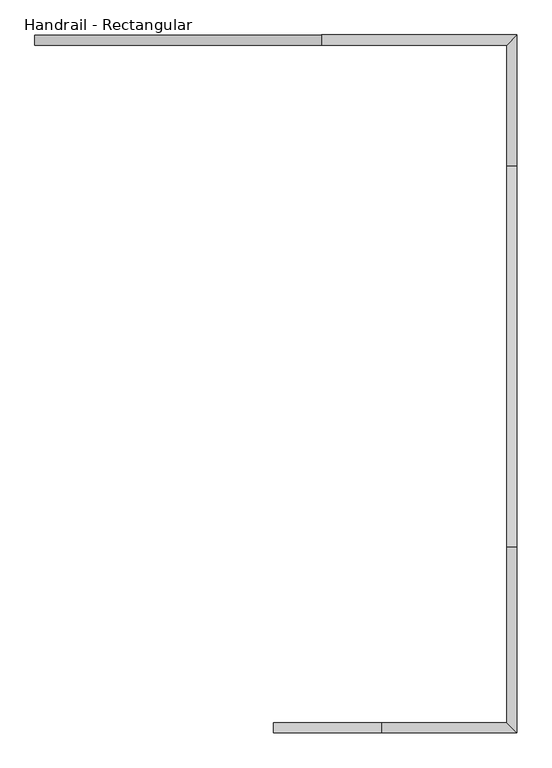
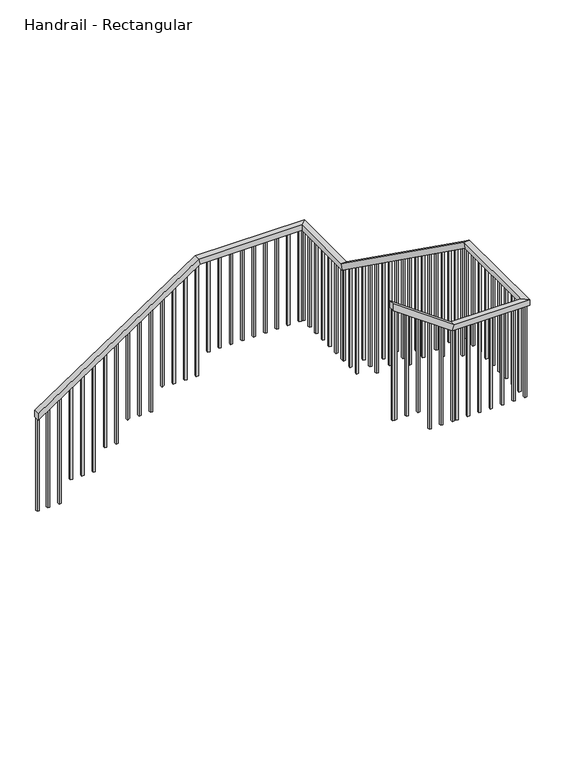
"""IFC4 building model written with IfcOpenShell, lengths in millimetres: railing geometry, Handrail - Rectangular."""

import ifcopenshell
import ifcopenshell.guid

model = None  # the IFC model being written
_history = None  # IfcOwnerHistory: only IFC2X3 demands one
_inside = {}  # id of a spatial element -> (the spatial element, [elements in it])
_under = {}  # id of a project, library or spatial element -> (it, [spatial elements below it])
_declared = {}  # id of a project -> (the project, [libraries it declares])
_typed = {}  # id of a type object -> (the type object, [elements of that type])
_made_of = {}  # id of a material, layer set ... -> (it, [elements and type objects made of it])


def new_model(schema):
    """Start an empty IFC model of exactly this schema.

    Asked for "IFC4X3", IfcOpenShell would pick the latest addendum, in which some entities
    have other attributes; the version numbers below select the first issue.
    IFC2X3 requires an IfcOwnerHistory on every rooted entity: one is made here for all.
    """
    global model, _history
    if schema == "IFC4X3":
        model = ifcopenshell.file(schema_version=(4, 3, 0, 0))
    else:
        model = ifcopenshell.file(schema=schema)
    _inside.clear()
    _under.clear()
    _declared.clear()
    _typed.clear()
    _made_of.clear()
    _history = None
    if model.schema == "IFC2X3":
        org = make("IfcOrganization", Name="unknown")
        user = make(
            "IfcPersonAndOrganization",
            ThePerson=make("IfcPerson", FamilyName="unknown"),
            TheOrganization=org,
        )
        app = make(
            "IfcApplication",
            ApplicationDeveloper=org,
            Version="unknown",
            ApplicationFullName="unknown",
            ApplicationIdentifier="unknown",
        )
        _history = make(
            "IfcOwnerHistory",
            OwningUser=user,
            OwningApplication=app,
            ChangeAction="ADDED",
            CreationDate=0,
        )
    return model


def make(cls, **values):
    """One entity of the class cls with the attributes given. An attribute that is None is left unset."""
    return model.create_entity(
        cls, **{name: value for name, value in values.items() if value is not None}
    )


def rooted(cls, **values):
    """An entity with a GlobalId (a new one), such as an element, a storey or a relation."""
    return make(cls, GlobalId=ifcopenshell.guid.new(), OwnerHistory=_history, **values)


def si_unit(unit_type, name, prefix=None):
    """IfcSIUnit, for example si_unit("LENGTHUNIT", "METRE", prefix="MILLI")."""
    return make("IfcSIUnit", UnitType=unit_type, Prefix=prefix, Name=name)


def assignment(units):
    """IfcUnitAssignment: the units of a project."""
    return None if units is None else make("IfcUnitAssignment", Units=units)


def point(xyz):
    """IfcCartesianPoint."""
    return None if xyz is None else make("IfcCartesianPoint", Coordinates=xyz)


def direction(xyz):
    """IfcDirection."""
    return None if xyz is None else make("IfcDirection", DirectionRatios=xyz)


def frame(location, z_axis=None, x_axis=None):
    """IfcAxis2Placement3D, a coordinate frame: its origin and axes. An axis left out is left unset."""
    return make(
        "IfcAxis2Placement3D",
        Location=point(location),
        Axis=direction(z_axis),
        RefDirection=direction(x_axis),
    )


def origin():
    """The frame at (0, 0, 0) with its axes left unset."""
    return frame((0.0, 0.0, 0.0))


def place(relative_to, where):
    """IfcLocalPlacement: puts the frame where relative to a parent placement (None: the world)."""
    return make(
        "IfcLocalPlacement", PlacementRelTo=relative_to, RelativePlacement=where
    )


def context(
    kind, dimensions, precision=None, world=None, true_north=None, identifier=None
):
    """IfcGeometricRepresentationContext, for example the 3D "Model" context."""
    return make(
        "IfcGeometricRepresentationContext",
        ContextIdentifier=identifier,
        ContextType=kind,
        CoordinateSpaceDimension=dimensions,
        Precision=precision,
        WorldCoordinateSystem=world,
        TrueNorth=true_north,
    )


def project(units=None, contexts=None):
    """IfcProject with its units and contexts."""
    return rooted(
        "IfcProject",
        Name="project",
        RepresentationContexts=contexts,
        UnitsInContext=assignment(units),
    )


def spatial(cls, under=None, at=None, **own):
    """A site, building, storey or space (cls), placed at a placement, below another one or the project."""
    s = rooted(cls, ObjectPlacement=at, **own)
    if under is not None:
        _under.setdefault(under.id(), (under, []))[1].append(s)
    return s


def polyline(points):
    """IfcPolyline through the points."""
    return make("IfcPolyline", Points=[point(p) for p in points])


def outline(outer, holes=None, kind="AREA"):
    """IfcArbitraryClosedProfileDef: a profile drawn as a closed curve; with holes, ...WithVoids."""
    if holes is None:
        return make("IfcArbitraryClosedProfileDef", ProfileType=kind, OuterCurve=outer)
    return make(
        "IfcArbitraryProfileDefWithVoids",
        ProfileType=kind,
        OuterCurve=outer,
        InnerCurves=holes,
    )


def extrude(swept, where, along, depth):
    """IfcExtrudedAreaSolid: the profile swept, set in the frame where, extruded along a direction by depth."""
    return make(
        "IfcExtrudedAreaSolid",
        SweptArea=swept,
        Position=where,
        ExtrudedDirection=direction(along),
        Depth=depth,
    )


def faces_of(points, faces, orient=None, outer=None):
    """IfcFace entities. A face is a list of loops; a loop is a list of indices into points, from 0.

    orient and outer hold one flag for each loop. By default every Orientation is true, the
    first loop of a face is its IfcFaceOuterBound and the others are IfcFaceBound.
    """
    made = []
    for i, loops in enumerate(faces):
        bounds = []
        for j, loop in enumerate(loops):
            is_outer = j == 0 if outer is None else outer[i][j]
            bounds.append(
                make(
                    "IfcFaceOuterBound" if is_outer else "IfcFaceBound",
                    Bound=make("IfcPolyLoop", Polygon=[points[k] for k in loop]),
                    Orientation=True if orient is None else orient[i][j],
                )
            )
        made.append(make("IfcFace", Bounds=bounds))
    return made


def faceted_brep(points, faces, orient=None, outer=None, voids=None):
    """IfcFacetedBrep: a solid bounded by flat faces; with voids (closed shells), ...WithVoids."""
    shared = [point(p) for p in points]
    hull = make("IfcClosedShell", CfsFaces=faces_of(shared, faces, orient, outer))
    if voids is None:
        return make("IfcFacetedBrep", Outer=hull)
    return make(
        "IfcFacetedBrepWithVoids",
        Outer=hull,
        Voids=[
            make(cls, CfsFaces=faces_of(shared, fs, o, b)) for cls, fs, o, b in voids
        ],
    )


def shape(context_of_items, identifier, shape_type, items):
    """IfcShapeRepresentation: the items that make up one representation, for example the "Body"."""
    return make(
        "IfcShapeRepresentation",
        ContextOfItems=context_of_items,
        RepresentationIdentifier=identifier,
        RepresentationType=shape_type,
        Items=items,
    )


def source(mapping_origin, context_of_items, identifier, shape_type, items):
    """IfcRepresentationMap: a shape defined once, which mapped items show again and again."""
    return make(
        "IfcRepresentationMap",
        MappingOrigin=mapping_origin,
        MappedRepresentation=shape(context_of_items, identifier, shape_type, items),
    )


def transform(
    local_origin,
    x_axis=None,
    y_axis=None,
    z_axis=None,
    scale=None,
    scale2=None,
    scale3=None,
    uniform=True,
):
    """IfcCartesianTransformationOperator3D, or its non-uniform kind. x_axis, y_axis, z_axis: its Axis1, 2, 3."""
    if uniform:
        return make(
            "IfcCartesianTransformationOperator3D",
            Axis1=direction(x_axis),
            Axis2=direction(y_axis),
            LocalOrigin=point(local_origin),
            Scale=scale,
            Axis3=direction(z_axis),
        )
    return make(
        "IfcCartesianTransformationOperator3DnonUniform",
        Axis1=direction(x_axis),
        Axis2=direction(y_axis),
        LocalOrigin=point(local_origin),
        Scale=scale,
        Axis3=direction(z_axis),
        Scale2=scale2,
        Scale3=scale3,
    )


def mapped(mapping_source, mapping_target):
    """IfcMappedItem: shows the shape of a source again, moved by a transform."""
    return make(
        "IfcMappedItem", MappingSource=mapping_source, MappingTarget=mapping_target
    )


def made_of(thing, what):
    """Note that an element or type object is made of a material, layer set ...; save() writes the relation."""
    if what is not None:
        _made_of.setdefault(what.id(), (what, []))[1].append(thing)
    return thing


def element(
    cls,
    number,
    at=None,
    inside=None,
    cuts=None,
    type_object=None,
    material=None,
    context=None,
    identifier="Body",
    shape_type=None,
    held_by="IfcProductDefinitionShape",
    body=None,
    shapes=None,
    **own,
):
    """One element of the class cls, such as IfcWall. Its Tag is "e" and its number.

    at: its placement. inside: the storey or other place that contains it. cuts: it is an
    opening in that element (IfcRelVoidsElement). A single representation is given by context,
    identifier, shape_type and body (its items); several are given by shapes. held_by: the class
    of the entity that holds the representations. save() writes the other relations.
    """
    e = rooted(cls, Tag="e%d" % number, ObjectPlacement=at, **own)
    if body is not None:
        shapes = [shape(context, identifier, shape_type, body)]
    if shapes is not None:
        e.Representation = make(held_by, Representations=shapes)
    if inside is not None:
        _inside.setdefault(inside.id(), (inside, []))[1].append(e)
    if cuts is not None:
        rooted(
            "IfcRelVoidsElement", RelatingBuildingElement=cuts, RelatedOpeningElement=e
        )
    if type_object is not None:
        _typed.setdefault(type_object.id(), (type_object, []))[1].append(e)
    return made_of(e, material)


def aggregate(whole, parts):
    """IfcRelAggregates: a whole, such as a stair, and the parts it consists of."""
    return rooted("IfcRelAggregates", RelatingObject=whole, RelatedObjects=parts)


def save(model, path):
    """Write the relations noted so far, then the file.

    IfcRelAggregates (storeys below a building ...), IfcRelContainedInSpatialStructure (elements
    in a storey), IfcRelDefinesByType, IfcRelAssociatesMaterial and IfcRelDeclares: one each for
    every whole, place, type object, material and project.
    """
    for whole, parts in _under.values():
        aggregate(whole, parts)
    for where, things in _inside.values():
        rooted(
            "IfcRelContainedInSpatialStructure",
            RelatedElements=things,
            RelatingStructure=where,
        )
    for kind, things in _typed.values():
        rooted("IfcRelDefinesByType", RelatedObjects=things, RelatingType=kind)
    for what, things in _made_of.values():
        rooted("IfcRelAssociatesMaterial", RelatedObjects=things, RelatingMaterial=what)
    for by, libraries in _declared.values():
        rooted("IfcRelDeclares", RelatingContext=by, RelatedDefinitions=libraries)
    model.write(path)


def handrail_rectangular_76ac958e(model_context):
    return source(origin(), model_context, "Body", "SolidModel", [
        faceted_brep([(1464.0157898, -1377.3856101, 1515.6336803), (1464.0157898, -1377.3856101, 1454.527482), (1464.0157898, -1428.1856101, 1454.527482), (1464.0157898, -1428.1856101, 1515.6336803), (2886.8157898, -1377.3856101, 2466.8), (2902.2322934, -1377.3856101, 2416.0), (2902.2322934, -1428.1856101, 2416.0), (2886.8157898, -1428.1856101, 2466.8), (3858.3657898, -1377.3856101, 2466.8), (3858.3657898, -1377.3856101, 2416.0), (3807.5657898, -1428.1856101, 2416.0), (3807.5657898, -1428.1856101, 2466.8), (3858.3657898, -2027.1856101, 2466.8), (3858.3657898, -2043.4521477, 2416.0), (3807.5657898, -2043.4521477, 2416.0), (3807.5657898, -2027.1856101, 2466.8), (3858.3657898, -3917.1856101, 3815.4666667), (3858.3657898, -3933.4521477, 3764.6666667), (3807.5657898, -3933.4521477, 3764.6666667), (3807.5657898, -3917.1856101, 3815.4666667), (3858.3657898, -4842.5856101, 3815.4666667), (3858.3657898, -4842.5856101, 3764.6666667), (3807.5657898, -4791.7856101, 3764.6666667), (3807.5657898, -4791.7856101, 3815.4666667), (3188.5657898, -4842.5856101, 3815.4666667), (3172.2992522, -4842.5856101, 3764.6666667), (3172.2992522, -4791.7856101, 3764.6666667), (3188.5657898, -4791.7856101, 3815.4666667), (2648.5657898, -4842.5856101, 4200.8), (2648.5657898, -4791.7856101, 4200.8), (2648.5657898, -4791.7856101, 4138.3925201), (2648.5657898, -4842.5856101, 4138.3925201)], [[[0, 1, 2, 3]], [[1, 0, 4, 5]], [[2, 1, 5, 6]], [[3, 2, 6, 7]], [[0, 3, 7, 4]], [[5, 4, 8, 9]], [[6, 5, 9, 10]], [[7, 6, 10, 11]], [[4, 7, 11, 8]], [[9, 8, 12, 13]], [[10, 9, 13, 14]], [[11, 10, 14, 15]], [[8, 11, 15, 12]], [[13, 12, 16, 17]], [[14, 13, 17, 18]], [[15, 14, 18, 19]], [[12, 15, 19, 16]], [[17, 16, 20, 21]], [[18, 17, 21, 22]], [[19, 18, 22, 23]], [[16, 19, 23, 20]], [[21, 20, 24, 25]], [[22, 21, 25, 26]], [[23, 22, 26, 27]], [[20, 23, 27, 24]], [[28, 29, 30, 31]], [[25, 24, 28, 31]], [[26, 25, 31, 30]], [[27, 26, 30, 29]], [[24, 27, 29, 28]]]),
        extrude(outline(polyline([(4122.354804, 2671.0407898), (3093.7333333, 2671.0407898), (3093.7333333, 2690.0907898), (4108.7611003, 2690.0907898), (4122.354804, 2671.0407898)])), frame((0.0, -4826.7106101, 0.0), z_axis=(0.0, 1.0, 0.0), x_axis=(0.0, 0.0, 1.0)), (0.0, 0.0, 1.0), 19.05),
        extrude(outline(polyline([(4049.8550509, 2772.6407898), (3093.7333333, 2772.6407898), (3093.7333333, 2791.6907898), (4036.2613472, 2791.6907898), (4049.8550509, 2772.6407898)])), frame((0.0, -4826.7106101, 0.0), z_axis=(0.0, 1.0, 0.0), x_axis=(0.0, 0.0, 1.0)), (0.0, 0.0, 1.0), 19.05),
        extrude(outline(polyline([(3977.3552979, 2874.2407898), (3093.7333333, 2874.2407898), (3093.7333333, 2893.2907898), (3963.7615942, 2893.2907898), (3977.3552979, 2874.2407898)])), frame((0.0, -4826.7106101, 0.0), z_axis=(0.0, 1.0, 0.0), x_axis=(0.0, 0.0, 1.0)), (0.0, 0.0, 1.0), 19.05),
        extrude(outline(polyline([(3904.8555448, 2975.8407898), (2901.0666667, 2975.8407898), (2901.0666667, 2994.8907898), (3891.2618411, 2994.8907898), (3904.8555448, 2975.8407898)])), frame((0.0, -4826.7106101, 0.0), z_axis=(0.0, 1.0, 0.0), x_axis=(0.0, 0.0, 1.0)), (0.0, 0.0, 1.0), 19.05),
        extrude(outline(polyline([(3832.3557917, 3077.4407898), (2901.0666667, 3077.4407898), (2901.0666667, 3096.4907898), (3818.762088, 3096.4907898), (3832.3557917, 3077.4407898)])), frame((0.0, -4826.7106101, 0.0), z_axis=(0.0, 1.0, 0.0), x_axis=(0.0, 0.0, 1.0)), (0.0, 0.0, 1.0), 19.05),
        extrude(outline(polyline([(3232.8907898, -4826.7106101), (3213.8407898, -4826.7106101), (3213.8407898, -4807.6606101), (3232.8907898, -4807.6606101), (3232.8907898, -4826.7106101)])), frame((0.0, 0.0, 2901.0666667), z_axis=(0.0, 0.0, 1.0), x_axis=(1.0, 0.0, 0.0)), (0.0, 0.0, 1.0), 863.6),
        extrude(outline(polyline([(3334.4907898, -4826.7106101), (3315.4407898, -4826.7106101), (3315.4407898, -4807.6606101), (3334.4907898, -4807.6606101), (3334.4907898, -4826.7106101)])), frame((0.0, 0.0, 2901.0666667), z_axis=(0.0, 0.0, 1.0), x_axis=(1.0, 0.0, 0.0)), (0.0, 0.0, 1.0), 863.6),
        extrude(outline(polyline([(3436.0907898, -4826.7106101), (3417.0407898, -4826.7106101), (3417.0407898, -4807.6606101), (3436.0907898, -4807.6606101), (3436.0907898, -4826.7106101)])), frame((0.0, 0.0, 2901.0666667), z_axis=(0.0, 0.0, 1.0), x_axis=(1.0, 0.0, 0.0)), (0.0, 0.0, 1.0), 863.6),
        extrude(outline(polyline([(3537.6907898, -4826.7106101), (3518.6407898, -4826.7106101), (3518.6407898, -4807.6606101), (3537.6907898, -4807.6606101), (3537.6907898, -4826.7106101)])), frame((0.0, 0.0, 2901.0666667), z_axis=(0.0, 0.0, 1.0), x_axis=(1.0, 0.0, 0.0)), (0.0, 0.0, 1.0), 863.6),
        extrude(outline(polyline([(3639.2907898, -4826.7106101), (3620.2407898, -4826.7106101), (3620.2407898, -4807.6606101), (3639.2907898, -4807.6606101), (3639.2907898, -4826.7106101)])), frame((0.0, 0.0, 2901.0666667), z_axis=(0.0, 0.0, 1.0), x_axis=(1.0, 0.0, 0.0)), (0.0, 0.0, 1.0), 863.6),
        extrude(outline(polyline([(3740.8907898, -4826.7106101), (3721.8407898, -4826.7106101), (3721.8407898, -4807.6606101), (3740.8907898, -4807.6606101), (3740.8907898, -4826.7106101)])), frame((0.0, 0.0, 2901.0666667), z_axis=(0.0, 0.0, 1.0), x_axis=(1.0, 0.0, 0.0)), (0.0, 0.0, 1.0), 863.6),
        extrude(outline(polyline([(3842.4907898, -4720.4606101), (3842.4907898, -4739.5106101), (3823.4407898, -4739.5106101), (3823.4407898, -4720.4606101), (3842.4907898, -4720.4606101)])), frame((0.0, 0.0, 2901.0666667), z_axis=(0.0, 0.0, 1.0), x_axis=(1.0, 0.0, 0.0)), (0.0, 0.0, 1.0), 863.6),
        extrude(outline(polyline([(3842.4907898, -4618.8606101), (3842.4907898, -4637.9106101), (3823.4407898, -4637.9106101), (3823.4407898, -4618.8606101), (3842.4907898, -4618.8606101)])), frame((0.0, 0.0, 2901.0666667), z_axis=(0.0, 0.0, 1.0), x_axis=(1.0, 0.0, 0.0)), (0.0, 0.0, 1.0), 863.6),
        extrude(outline(polyline([(3842.4907898, -4517.2606101), (3842.4907898, -4536.3106101), (3823.4407898, -4536.3106101), (3823.4407898, -4517.2606101), (3842.4907898, -4517.2606101)])), frame((0.0, 0.0, 2901.0666667), z_axis=(0.0, 0.0, 1.0), x_axis=(1.0, 0.0, 0.0)), (0.0, 0.0, 1.0), 863.6),
        extrude(outline(polyline([(3842.4907898, -4415.6606101), (3842.4907898, -4434.7106101), (3823.4407898, -4434.7106101), (3823.4407898, -4415.6606101), (3842.4907898, -4415.6606101)])), frame((0.0, 0.0, 2901.0666667), z_axis=(0.0, 0.0, 1.0), x_axis=(1.0, 0.0, 0.0)), (0.0, 0.0, 1.0), 863.6),
        extrude(outline(polyline([(3842.4907898, -4314.0606101), (3842.4907898, -4333.1106101), (3823.4407898, -4333.1106101), (3823.4407898, -4314.0606101), (3842.4907898, -4314.0606101)])), frame((0.0, 0.0, 2901.0666667), z_axis=(0.0, 0.0, 1.0), x_axis=(1.0, 0.0, 0.0)), (0.0, 0.0, 1.0), 863.6),
        extrude(outline(polyline([(3842.4907898, -4212.4606101), (3842.4907898, -4231.5106101), (3823.4407898, -4231.5106101), (3823.4407898, -4212.4606101), (3842.4907898, -4212.4606101)])), frame((0.0, 0.0, 2901.0666667), z_axis=(0.0, 0.0, 1.0), x_axis=(1.0, 0.0, 0.0)), (0.0, 0.0, 1.0), 863.6),
        extrude(outline(polyline([(3842.4907898, -4110.8606101), (3842.4907898, -4129.9106101), (3823.4407898, -4129.9106101), (3823.4407898, -4110.8606101), (3842.4907898, -4110.8606101)])), frame((0.0, 0.0, 2901.0666667), z_axis=(0.0, 0.0, 1.0), x_axis=(1.0, 0.0, 0.0)), (0.0, 0.0, 1.0), 863.6),
        extrude(outline(polyline([(3842.4907898, -4009.2606101), (3842.4907898, -4028.3106101), (3823.4407898, -4028.3106101), (3823.4407898, -4009.2606101), (3842.4907898, -4009.2606101)])), frame((0.0, 0.0, 2901.0666667), z_axis=(0.0, 0.0, 1.0), x_axis=(1.0, 0.0, 0.0)), (0.0, 0.0, 1.0), 863.6),
        extrude(outline(polyline([(-3846.4606101, 3702.5912238), (-3846.4606101, 2708.4), (-3865.5106101, 2708.4), (-3865.5106101, 3716.1849275), (-3846.4606101, 3702.5912238)])), frame((3823.4407898, 0.0, 0.0), z_axis=(1.0, 0.0, 0.0), x_axis=(0.0, 1.0, 0.0)), (0.0, 0.0, 1.0), 19.05),
        extrude(outline(polyline([(-3744.8606101, 3630.0914707), (-3744.8606101, 2708.4), (-3763.9106101, 2708.4), (-3763.9106101, 3643.6851744), (-3744.8606101, 3630.0914707)])), frame((3823.4407898, 0.0, 0.0), z_axis=(1.0, 0.0, 0.0), x_axis=(0.0, 1.0, 0.0)), (0.0, 0.0, 1.0), 19.05),
        extrude(outline(polyline([(-3643.2606101, 3557.5917176), (-3643.2606101, 2708.4), (-3662.3106101, 2708.4), (-3662.3106101, 3571.1854213), (-3643.2606101, 3557.5917176)])), frame((3823.4407898, 0.0, 0.0), z_axis=(1.0, 0.0, 0.0), x_axis=(0.0, 1.0, 0.0)), (0.0, 0.0, 1.0), 19.05),
        extrude(outline(polyline([(-3541.6606101, 3485.0919645), (-3541.6606101, 2515.7333333), (-3560.7106101, 2515.7333333), (-3560.7106101, 3498.6856682), (-3541.6606101, 3485.0919645)])), frame((3823.4407898, 0.0, 0.0), z_axis=(1.0, 0.0, 0.0), x_axis=(0.0, 1.0, 0.0)), (0.0, 0.0, 1.0), 19.05),
        extrude(outline(polyline([(-3440.0606101, 3412.5922114), (-3440.0606101, 2515.7333333), (-3459.1106101, 2515.7333333), (-3459.1106101, 3426.1859151), (-3440.0606101, 3412.5922114)])), frame((3823.4407898, 0.0, 0.0), z_axis=(1.0, 0.0, 0.0), x_axis=(0.0, 1.0, 0.0)), (0.0, 0.0, 1.0), 19.05),
        extrude(outline(polyline([(-3338.4606101, 3340.0924584), (-3338.4606101, 2323.0666667), (-3357.5106101, 2323.0666667), (-3357.5106101, 3353.6861621), (-3338.4606101, 3340.0924584)])), frame((3823.4407898, 0.0, 0.0), z_axis=(1.0, 0.0, 0.0), x_axis=(0.0, 1.0, 0.0)), (0.0, 0.0, 1.0), 19.05),
        extrude(outline(polyline([(-3236.8606101, 3267.5927053), (-3236.8606101, 2323.0666667), (-3255.9106101, 2323.0666667), (-3255.9106101, 3281.186409), (-3236.8606101, 3267.5927053)])), frame((3823.4407898, 0.0, 0.0), z_axis=(1.0, 0.0, 0.0), x_axis=(0.0, 1.0, 0.0)), (0.0, 0.0, 1.0), 19.05),
        extrude(outline(polyline([(-3135.2606101, 3195.0929522), (-3135.2606101, 2323.0666667), (-3154.3106101, 2323.0666667), (-3154.3106101, 3208.6866559), (-3135.2606101, 3195.0929522)])), frame((3823.4407898, 0.0, 0.0), z_axis=(1.0, 0.0, 0.0), x_axis=(0.0, 1.0, 0.0)), (0.0, 0.0, 1.0), 19.05),
        extrude(outline(polyline([(-3033.6606101, 3122.5931991), (-3033.6606101, 2130.4), (-3052.7106101, 2130.4), (-3052.7106101, 3136.1869028), (-3033.6606101, 3122.5931991)])), frame((3823.4407898, 0.0, 0.0), z_axis=(1.0, 0.0, 0.0), x_axis=(0.0, 1.0, 0.0)), (0.0, 0.0, 1.0), 19.05),
        extrude(outline(polyline([(-2932.0606101, 3050.093446), (-2932.0606101, 2130.4), (-2951.1106101, 2130.4), (-2951.1106101, 3063.6871497), (-2932.0606101, 3050.093446)])), frame((3823.4407898, 0.0, 0.0), z_axis=(1.0, 0.0, 0.0), x_axis=(0.0, 1.0, 0.0)), (0.0, 0.0, 1.0), 19.05),
        extrude(outline(polyline([(-2830.4606101, 2977.5936929), (-2830.4606101, 2130.4), (-2849.5106101, 2130.4), (-2849.5106101, 2991.1873966), (-2830.4606101, 2977.5936929)])), frame((3823.4407898, 0.0, 0.0), z_axis=(1.0, 0.0, 0.0), x_axis=(0.0, 1.0, 0.0)), (0.0, 0.0, 1.0), 19.05),
        extrude(outline(polyline([(-2728.8606101, 2905.0939398), (-2728.8606101, 1937.7333333), (-2747.9106101, 1937.7333333), (-2747.9106101, 2918.6876435), (-2728.8606101, 2905.0939398)])), frame((3823.4407898, 0.0, 0.0), z_axis=(1.0, 0.0, 0.0), x_axis=(0.0, 1.0, 0.0)), (0.0, 0.0, 1.0), 19.05),
        extrude(outline(polyline([(-2627.2606101, 2832.5941868), (-2627.2606101, 1937.7333333), (-2646.3106101, 1937.7333333), (-2646.3106101, 2846.1878905), (-2627.2606101, 2832.5941868)])), frame((3823.4407898, 0.0, 0.0), z_axis=(1.0, 0.0, 0.0), x_axis=(0.0, 1.0, 0.0)), (0.0, 0.0, 1.0), 19.05),
        extrude(outline(polyline([(-2525.6606101, 2760.0944337), (-2525.6606101, 1745.0666667), (-2544.7106101, 1745.0666667), (-2544.7106101, 2773.6881374), (-2525.6606101, 2760.0944337)])), frame((3823.4407898, 0.0, 0.0), z_axis=(1.0, 0.0, 0.0), x_axis=(0.0, 1.0, 0.0)), (0.0, 0.0, 1.0), 19.05),
        extrude(outline(polyline([(-2424.0606101, 2687.5946806), (-2424.0606101, 1745.0666667), (-2443.1106101, 1745.0666667), (-2443.1106101, 2701.1883843), (-2424.0606101, 2687.5946806)])), frame((3823.4407898, 0.0, 0.0), z_axis=(1.0, 0.0, 0.0), x_axis=(0.0, 1.0, 0.0)), (0.0, 0.0, 1.0), 19.05),
        extrude(outline(polyline([(-2322.4606101, 2615.0949275), (-2322.4606101, 1745.0666667), (-2341.5106101, 1745.0666667), (-2341.5106101, 2628.6886312), (-2322.4606101, 2615.0949275)])), frame((3823.4407898, 0.0, 0.0), z_axis=(1.0, 0.0, 0.0), x_axis=(0.0, 1.0, 0.0)), (0.0, 0.0, 1.0), 19.05),
        extrude(outline(polyline([(-2220.8606101, 2542.5951744), (-2220.8606101, 1552.4), (-2239.9106101, 1552.4), (-2239.9106101, 2556.1888781), (-2220.8606101, 2542.5951744)])), frame((3823.4407898, 0.0, 0.0), z_axis=(1.0, 0.0, 0.0), x_axis=(0.0, 1.0, 0.0)), (0.0, 0.0, 1.0), 19.05),
        extrude(outline(polyline([(-2119.2606101, 2470.0954213), (-2119.2606101, 1552.4), (-2138.3106101, 1552.4), (-2138.3106101, 2483.689125), (-2119.2606101, 2470.0954213)])), frame((3823.4407898, 0.0, 0.0), z_axis=(1.0, 0.0, 0.0), x_axis=(0.0, 1.0, 0.0)), (0.0, 0.0, 1.0), 19.05),
        extrude(outline(polyline([(3842.4907898, -2002.8606101), (3842.4907898, -2021.9106101), (3823.4407898, -2021.9106101), (3823.4407898, -2002.8606101), (3842.4907898, -2002.8606101)])), frame((0.0, 0.0, 1552.4), z_axis=(0.0, 0.0, 1.0), x_axis=(1.0, 0.0, 0.0)), (0.0, 0.0, 1.0), 863.6),
        extrude(outline(polyline([(3842.4907898, -1901.2606101), (3842.4907898, -1920.3106101), (3823.4407898, -1920.3106101), (3823.4407898, -1901.2606101), (3842.4907898, -1901.2606101)])), frame((0.0, 0.0, 1552.4), z_axis=(0.0, 0.0, 1.0), x_axis=(1.0, 0.0, 0.0)), (0.0, 0.0, 1.0), 863.6),
        extrude(outline(polyline([(3842.4907898, -1799.6606101), (3842.4907898, -1818.7106101), (3823.4407898, -1818.7106101), (3823.4407898, -1799.6606101), (3842.4907898, -1799.6606101)])), frame((0.0, 0.0, 1552.4), z_axis=(0.0, 0.0, 1.0), x_axis=(1.0, 0.0, 0.0)), (0.0, 0.0, 1.0), 863.6),
        extrude(outline(polyline([(3842.4907898, -1698.0606101), (3842.4907898, -1717.1106101), (3823.4407898, -1717.1106101), (3823.4407898, -1698.0606101), (3842.4907898, -1698.0606101)])), frame((0.0, 0.0, 1552.4), z_axis=(0.0, 0.0, 1.0), x_axis=(1.0, 0.0, 0.0)), (0.0, 0.0, 1.0), 863.6),
        extrude(outline(polyline([(3842.4907898, -1596.4606101), (3842.4907898, -1615.5106101), (3823.4407898, -1615.5106101), (3823.4407898, -1596.4606101), (3842.4907898, -1596.4606101)])), frame((0.0, 0.0, 1552.4), z_axis=(0.0, 0.0, 1.0), x_axis=(1.0, 0.0, 0.0)), (0.0, 0.0, 1.0), 863.6),
        extrude(outline(polyline([(3842.4907898, -1494.8606101), (3842.4907898, -1513.9106101), (3823.4407898, -1513.9106101), (3823.4407898, -1494.8606101), (3842.4907898, -1494.8606101)])), frame((0.0, 0.0, 1552.4), z_axis=(0.0, 0.0, 1.0), x_axis=(1.0, 0.0, 0.0)), (0.0, 0.0, 1.0), 863.6),
        extrude(outline(polyline([(3791.6907898, -1393.2606101), (3810.7407898, -1393.2606101), (3810.7407898, -1412.3106101), (3791.6907898, -1412.3106101), (3791.6907898, -1393.2606101)])), frame((0.0, 0.0, 1552.4), z_axis=(0.0, 0.0, 1.0), x_axis=(1.0, 0.0, 0.0)), (0.0, 0.0, 1.0), 863.6),
        extrude(outline(polyline([(3690.0907898, -1393.2606101), (3709.1407898, -1393.2606101), (3709.1407898, -1412.3106101), (3690.0907898, -1412.3106101), (3690.0907898, -1393.2606101)])), frame((0.0, 0.0, 1552.4), z_axis=(0.0, 0.0, 1.0), x_axis=(1.0, 0.0, 0.0)), (0.0, 0.0, 1.0), 863.6),
        extrude(outline(polyline([(3588.4907898, -1393.2606101), (3607.5407898, -1393.2606101), (3607.5407898, -1412.3106101), (3588.4907898, -1412.3106101), (3588.4907898, -1393.2606101)])), frame((0.0, 0.0, 1552.4), z_axis=(0.0, 0.0, 1.0), x_axis=(1.0, 0.0, 0.0)), (0.0, 0.0, 1.0), 863.6),
        extrude(outline(polyline([(3486.8907898, -1393.2606101), (3505.9407898, -1393.2606101), (3505.9407898, -1412.3106101), (3486.8907898, -1412.3106101), (3486.8907898, -1393.2606101)])), frame((0.0, 0.0, 1552.4), z_axis=(0.0, 0.0, 1.0), x_axis=(1.0, 0.0, 0.0)), (0.0, 0.0, 1.0), 863.6),
        extrude(outline(polyline([(3385.2907898, -1393.2606101), (3404.3407898, -1393.2606101), (3404.3407898, -1412.3106101), (3385.2907898, -1412.3106101), (3385.2907898, -1393.2606101)])), frame((0.0, 0.0, 1552.4), z_axis=(0.0, 0.0, 1.0), x_axis=(1.0, 0.0, 0.0)), (0.0, 0.0, 1.0), 863.6),
        extrude(outline(polyline([(3283.6907898, -1393.2606101), (3302.7407898, -1393.2606101), (3302.7407898, -1412.3106101), (3283.6907898, -1412.3106101), (3283.6907898, -1393.2606101)])), frame((0.0, 0.0, 1552.4), z_axis=(0.0, 0.0, 1.0), x_axis=(1.0, 0.0, 0.0)), (0.0, 0.0, 1.0), 863.6),
        extrude(outline(polyline([(3182.0907898, -1393.2606101), (3201.1407898, -1393.2606101), (3201.1407898, -1412.3106101), (3182.0907898, -1412.3106101), (3182.0907898, -1393.2606101)])), frame((0.0, 0.0, 1552.4), z_axis=(0.0, 0.0, 1.0), x_axis=(1.0, 0.0, 0.0)), (0.0, 0.0, 1.0), 863.6),
        extrude(outline(polyline([(3080.4907898, -1393.2606101), (3099.5407898, -1393.2606101), (3099.5407898, -1412.3106101), (3080.4907898, -1412.3106101), (3080.4907898, -1393.2606101)])), frame((0.0, 0.0, 1552.4), z_axis=(0.0, 0.0, 1.0), x_axis=(1.0, 0.0, 0.0)), (0.0, 0.0, 1.0), 863.6),
        extrude(outline(polyline([(2978.8907898, -1393.2606101), (2997.9407898, -1393.2606101), (2997.9407898, -1412.3106101), (2978.8907898, -1412.3106101), (2978.8907898, -1393.2606101)])), frame((0.0, 0.0, 1552.4), z_axis=(0.0, 0.0, 1.0), x_axis=(1.0, 0.0, 0.0)), (0.0, 0.0, 1.0), 863.6),
        extrude(outline(polyline([(2399.0587681, 2876.8907898), (1359.7333333, 2876.8907898), (1359.7333333, 2895.9407898), (2411.7940214, 2895.9407898), (2399.0587681, 2876.8907898)])), frame((0.0, -1412.3106101, 0.0), z_axis=(0.0, 1.0, 0.0), x_axis=(0.0, 0.0, 1.0)), (0.0, 0.0, 1.0), 19.05),
        extrude(outline(polyline([(2331.1374172, 2775.2907898), (1359.7333333, 2775.2907898), (1359.7333333, 2794.3407898), (2343.8726705, 2794.3407898), (2331.1374172, 2775.2907898)])), frame((0.0, -1412.3106101, 0.0), z_axis=(0.0, 1.0, 0.0), x_axis=(0.0, 0.0, 1.0)), (0.0, 0.0, 1.0), 19.05),
        extrude(outline(polyline([(2263.2160663, 2673.6907898), (1359.7333333, 2673.6907898), (1359.7333333, 2692.7407898), (2275.9513196, 2692.7407898), (2263.2160663, 2673.6907898)])), frame((0.0, -1412.3106101, 0.0), z_axis=(0.0, 1.0, 0.0), x_axis=(0.0, 0.0, 1.0)), (0.0, 0.0, 1.0), 19.05),
        extrude(outline(polyline([(2195.2947154, 2572.0907898), (1367.5632671, 2572.0907898), (1380.2985204, 2591.1407898), (2208.0299687, 2591.1407898), (2195.2947154, 2572.0907898)])), frame((0.0, -1412.3106101, 0.0), z_axis=(0.0, 1.0, 0.0), x_axis=(0.0, 0.0, 1.0)), (0.0, 0.0, 1.0), 19.05),
        extrude(outline(polyline([(2127.3733644, 2470.4907898), (1167.0666667, 2470.4907898), (1167.0666667, 2489.5407898), (2140.1086177, 2489.5407898), (2127.3733644, 2470.4907898)])), frame((0.0, -1412.3106101, 0.0), z_axis=(0.0, 1.0, 0.0), x_axis=(0.0, 0.0, 1.0)), (0.0, 0.0, 1.0), 19.05),
        extrude(outline(polyline([(2059.4520135, 2368.8907898), (1167.0666667, 2368.8907898), (1167.0666667, 2387.9407898), (2072.1872668, 2387.9407898), (2059.4520135, 2368.8907898)])), frame((0.0, -1412.3106101, 0.0), z_axis=(0.0, 1.0, 0.0), x_axis=(0.0, 0.0, 1.0)), (0.0, 0.0, 1.0), 19.05),
        extrude(outline(polyline([(1991.5306626, 2267.2907898), (1163.7992143, 2267.2907898), (1176.5344676, 2286.3407898), (2004.2659159, 2286.3407898), (1991.5306626, 2267.2907898)])), frame((0.0, -1412.3106101, 0.0), z_axis=(0.0, 1.0, 0.0), x_axis=(0.0, 0.0, 1.0)), (0.0, 0.0, 1.0), 19.05),
        extrude(outline(polyline([(1923.6093117, 2165.6907898), (974.4, 2165.6907898), (974.4, 2184.7407898), (1936.344565, 2184.7407898), (1923.6093117, 2165.6907898)])), frame((0.0, -1412.3106101, 0.0), z_axis=(0.0, 1.0, 0.0), x_axis=(0.0, 0.0, 1.0)), (0.0, 0.0, 1.0), 19.05),
        extrude(outline(polyline([(1855.6879608, 2064.0907898), (974.4, 2064.0907898), (974.4, 2083.1407898), (1868.4232141, 2083.1407898), (1855.6879608, 2064.0907898)])), frame((0.0, -1412.3106101, 0.0), z_axis=(0.0, 1.0, 0.0), x_axis=(0.0, 0.0, 1.0)), (0.0, 0.0, 1.0), 19.05),
        extrude(outline(polyline([(1787.7666099, 1962.4907898), (781.7333333, 1962.4907898), (781.7333333, 1981.5407898), (1800.5018632, 1981.5407898), (1787.7666099, 1962.4907898)])), frame((0.0, -1412.3106101, 0.0), z_axis=(0.0, 1.0, 0.0), x_axis=(0.0, 0.0, 1.0)), (0.0, 0.0, 1.0), 19.05),
        extrude(outline(polyline([(1719.845259, 1860.8907898), (781.7333333, 1860.8907898), (781.7333333, 1879.9407898), (1732.5805123, 1879.9407898), (1719.845259, 1860.8907898)])), frame((0.0, -1412.3106101, 0.0), z_axis=(0.0, 1.0, 0.0), x_axis=(0.0, 0.0, 1.0)), (0.0, 0.0, 1.0), 19.05),
        extrude(outline(polyline([(1651.9239081, 1759.2907898), (781.7333333, 1759.2907898), (781.7333333, 1778.3407898), (1664.6591613, 1778.3407898), (1651.9239081, 1759.2907898)])), frame((0.0, -1412.3106101, 0.0), z_axis=(0.0, 1.0, 0.0), x_axis=(0.0, 0.0, 1.0)), (0.0, 0.0, 1.0), 19.05),
        extrude(outline(polyline([(1584.0025571, 1657.6907898), (589.0666667, 1657.6907898), (589.0666667, 1676.7407898), (1596.7378104, 1676.7407898), (1584.0025571, 1657.6907898)])), frame((0.0, -1412.3106101, 0.0), z_axis=(0.0, 1.0, 0.0), x_axis=(0.0, 0.0, 1.0)), (0.0, 0.0, 1.0), 19.05),
        extrude(outline(polyline([(1516.0812062, 1556.0907898), (589.0666667, 1556.0907898), (589.0666667, 1575.1407898), (1528.8164595, 1575.1407898), (1516.0812062, 1556.0907898)])), frame((0.0, -1412.3106101, 0.0), z_axis=(0.0, 1.0, 0.0), x_axis=(0.0, 0.0, 1.0)), (0.0, 0.0, 1.0), 19.05),
        extrude(outline(polyline([(3198.0907898, -4826.7106101), (3179.0407898, -4826.7106101), (3179.0407898, -4807.6606101), (3198.0907898, -4807.6606101), (3198.0907898, -4826.7106101)])), frame((0.0, 0.0, 2901.0666667), z_axis=(0.0, 0.0, 1.0), x_axis=(1.0, 0.0, 0.0)), (0.0, 0.0, 1.0), 863.6),
        extrude(outline(polyline([(3842.4907898, -4807.6606101), (3842.4907898, -4826.7106101), (3823.4407898, -4826.7106101), (3823.4407898, -4807.6606101), (3842.4907898, -4807.6606101)])), frame((0.0, 0.0, 2901.0666667), z_axis=(0.0, 0.0, 1.0), x_axis=(1.0, 0.0, 0.0)), (0.0, 0.0, 1.0), 863.6),
        extrude(outline(polyline([(-3907.6606101, 3746.2623349), (-3907.6606101, 2901.0666667), (-3926.7106101, 2901.0666667), (-3926.7106101, 3759.8560386), (-3907.6606101, 3746.2623349)])), frame((3823.4407898, 0.0, 0.0), z_axis=(1.0, 0.0, 0.0), x_axis=(0.0, 1.0, 0.0)), (0.0, 0.0, 1.0), 19.05),
        extrude(outline(polyline([(3842.4907898, -2017.6606101), (3842.4907898, -2036.7106101), (3823.4407898, -2036.7106101), (3823.4407898, -2017.6606101), (3842.4907898, -2017.6606101)])), frame((0.0, 0.0, 1552.4), z_axis=(0.0, 0.0, 1.0), x_axis=(1.0, 0.0, 0.0)), (0.0, 0.0, 1.0), 863.6),
        extrude(outline(polyline([(3823.4407898, -1393.2606101), (3842.4907898, -1393.2606101), (3842.4907898, -1412.3106101), (3823.4407898, -1412.3106101), (3823.4407898, -1393.2606101)])), frame((0.0, 0.0, 1552.4), z_axis=(0.0, 0.0, 1.0), x_axis=(1.0, 0.0, 0.0)), (0.0, 0.0, 1.0), 863.6),
        extrude(outline(polyline([(2399.326175, 2877.2907898), (1552.4, 2877.2907898), (1552.4, 2896.3407898), (2412.0614283, 2896.3407898), (2399.326175, 2877.2907898)])), frame((0.0, -1412.3106101, 0.0), z_axis=(0.0, 1.0, 0.0), x_axis=(0.0, 0.0, 1.0)), (0.0, 0.0, 1.0), 19.05),
        extrude(outline(polyline([(4138.3925201, 2648.5657898), (3093.7333333, 2648.5657898), (3093.7333333, 2667.6157898), (4124.7988164, 2667.6157898), (4138.3925201, 2648.5657898)])), frame((0.0, -4826.7106101, 0.0), z_axis=(0.0, 1.0, 0.0), x_axis=(0.0, 0.0, 1.0)), (0.0, 0.0, 1.0), 19.05),
        extrude(outline(polyline([(1454.527482, 1464.0157898), (589.0666667, 1464.0157898), (589.0666667, 1483.0657898), (1467.2627353, 1483.0657898), (1454.527482, 1464.0157898)])), frame((0.0, -1412.3106101, 0.0), z_axis=(0.0, 1.0, 0.0), x_axis=(0.0, 0.0, 1.0)), (0.0, 0.0, 1.0), 19.05),
    ])


if __name__ == "__main__":
    model = new_model("IFC4")
    model_context = context("Model", 3, world=origin())
    ifc_project = project(units=[si_unit("LENGTHUNIT", "METRE", prefix="MILLI")], contexts=[model_context])
    site = spatial("IfcSite", under=ifc_project)
    building = spatial("IfcBuilding", under=site)
    placement = place(None, origin())
    handrail_rectangular_shape = handrail_rectangular_76ac958e(model_context)
    element("IfcRailing", 1, ObjectType="Handrail - Rectangular", at=placement, inside=building, context=model_context, shape_type="MappedRepresentation", body=[
        mapped(handrail_rectangular_shape, transform((0.0, 0.0, 0.0), x_axis=(1.0, 0.0, 0.0), y_axis=(0.0, 1.0, 0.0), z_axis=(0.0, 0.0, 1.0))),
    ])
    save(model, "model.ifc")
